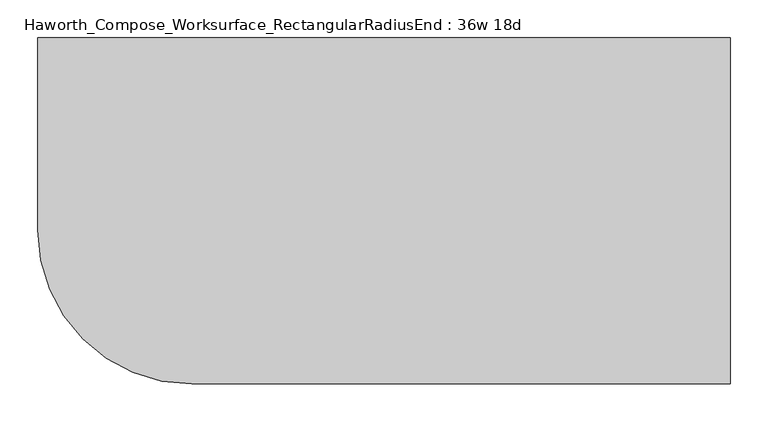
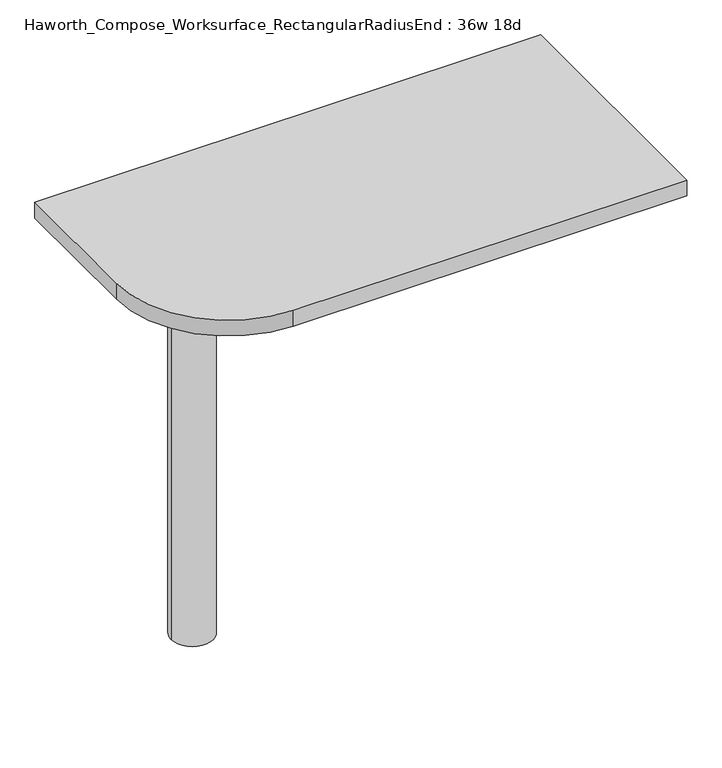
"""IFC4 building model written with IfcOpenShell, lengths in millimetres: furniture geometry, Haworth_Compose_Worksurface_RectangularRadiusEnd : 36w 18d."""

from ifc_helpers import new_model, si_unit, point, frame, frame_2d, origin, place, context, project, spatial, polyline, circle_curve, trimmed, segment, composite_curve, outline, extrude, source, transform, mapped, element, save
from ifc_brep_helpers import plane_surface, cylinder_surface, revolved_surface, advanced_brep


def haworth_compose_worksurface_rectangularradiusend_36w_18d_79e17497(model_context):
    return source(origin(), model_context, "Body", "SolidModel", [
        advanced_brep(
        [(451.64375, 228.6, 475.45625), (451.64375, 212.725, 475.45625), (451.64375, -177.8, 691.7192568), (451.64375, -177.8, 704.05625), (451.64375, 212.725, 704.05625), (451.64375, 228.6, 704.05625), (451.64375, 145.290072, 665.95625), (451.64375, 101.6355284, 665.95625), (451.64375, 98.9564235, 656.3705539), (451.64375, 190.6776173, 605.5776439), (451.64375, 200.025, 611.1756969), (451.64375, 200.025, 634.6860246), (451.64375, 198.2730055, 637.5242776), (451.64375, 148.3663437, 665.1613425), (454.025, 228.6, 475.45625), (454.025, 228.6, 704.05625), (454.025, 212.725, 704.05625), (454.025, 212.725, 706.4375), (454.025, -177.8, 706.4375), (454.025, -177.8, 691.7192568), (454.025, 212.725, 475.45625), (454.025, 145.290072, 665.95625), (454.025, 148.3663437, 665.1613425), (454.025, 198.2730055, 637.5242776), (454.025, 200.025, 634.6860246), (454.025, 200.025, 611.1756969), (454.025, 190.6776173, 605.5776439), (454.025, 98.9564235, 656.3705539), (454.025, 101.6355284, 665.95625), (412.75, -177.8, 706.4375), (412.75, -177.8, 704.05625), (412.75, 212.725, 704.05625), (412.75, 212.725, 706.4375)],
        [
            (0, 1),
            (1, 2),
            (2, 3),
            (3, 4),
            (4, 5),
            (5, 0),
            (6, 7),
            (7, 8, circle_curve(frame((451.64375, 101.6355284, 660.7890106), z_axis=(1.0, 0.0, 0.0), x_axis=(0.0, -1.0, 0.0)), 5.1672394)),
            (8, 9),
            (9, 10, circle_curve(frame((451.64375, 193.675, 611.1756969), z_axis=(1.0, 0.0, 0.0), x_axis=(0.0, -1.0, 0.0)), 6.35)),
            (10, 11),
            (11, 12, circle_curve(frame((451.64375, 196.85, 634.6860246), z_axis=(1.0, 0.0, 0.0), x_axis=(0.0, -1.0, 0.0)), 3.175)),
            (12, 13),
            (13, 6, circle_curve(frame((451.64375, 145.290072, 659.60625), z_axis=(1.0, 0.0, 0.0), x_axis=(0.0, -1.0, 0.0)), 6.35)),
            (14, 15),
            (15, 16),
            (16, 17),
            (17, 18),
            (18, 19),
            (19, 20),
            (20, 14),
            (21, 22, circle_curve(frame((454.025, 145.290072, 659.60625), z_axis=(-1.0, 0.0, 0.0), x_axis=(0.0, -1.0, 0.0)), 6.35)),
            (22, 23),
            (23, 24, circle_curve(frame((454.025, 196.85, 634.6860246), z_axis=(-1.0, 0.0, 0.0), x_axis=(0.0, -1.0, 0.0)), 3.175)),
            (24, 25),
            (25, 26, circle_curve(frame((454.025, 193.675, 611.1756969), z_axis=(-1.0, 0.0, 0.0), x_axis=(0.0, -1.0, 0.0)), 6.35)),
            (26, 27),
            (27, 28, circle_curve(frame((454.025, 101.6355284, 660.7890106), z_axis=(-1.0, 0.0, 0.0), x_axis=(0.0, -1.0, 0.0)), 5.1672394)),
            (28, 21),
            (4, 16),
            (15, 5),
            (14, 0),
            (20, 1),
            (19, 2),
            (18, 29),
            (29, 30),
            (30, 3),
            (6, 21),
            (28, 7),
            (9, 26),
            (25, 10),
            (24, 11),
            (23, 12),
            (27, 8),
            (31, 4),
            (30, 31),
            (32, 29),
            (17, 32),
            (31, 32),
            (22, 13),
        ],
        [
            plane_surface(frame((451.64375, 228.6, 475.45625), z_axis=(-1.0, 0.0, 0.0), x_axis=(0.0, 1.0, 0.0))),
            plane_surface(frame((454.025, 228.6, 475.45625), z_axis=(1.0, 0.0, 0.0), x_axis=(0.0, -1.0, 0.0))),
            plane_surface(frame((454.025, -177.8, 704.05625), z_axis=(0.0, 0.0, 1.0), x_axis=(-1.0, 0.0, 0.0))),
            plane_surface(frame((454.025, 228.6, 704.05625), z_axis=(0.0, 1.0, 0.0), x_axis=(-1.0, 0.0, 0.0))),
            plane_surface(frame((454.025, 228.6, 475.45625), z_axis=(0.0, 0.0, -1.0), x_axis=(-1.0, 0.0, 0.0))),
            plane_surface(frame((454.025, 212.725, 475.45625), z_axis=(0.0, -0.48445223513455843, -0.8748177135112952), x_axis=(-1.0, 0.0, 0.0))),
            plane_surface(frame((454.025, -177.8, 691.7192568), z_axis=(0.0, -1.0, 0.0), x_axis=(-1.0, 0.0, 0.0))),
            plane_surface(frame((454.025, 145.290072, 665.95625), z_axis=(0.0, 0.0, -1.0), x_axis=(-1.0, 0.0, 0.0))),
            revolved_surface(polyline([(451.64375, 187.32500000000002, 611.1756969), (454.025, 187.32500000000002, 611.1756969)]), (454.025, 193.675, 611.1756969), (-1.0, 0.0, 0.0)),
            plane_surface(frame((454.025, 200.025, 611.1756969), z_axis=(0.0, -1.0, 0.0), x_axis=(-1.0, 0.0, 0.0))),
            revolved_surface(polyline([(451.64375, 193.67499999999998, 634.6860246), (454.025, 193.67499999999998, 634.6860246)]), (454.025, 196.85, 634.6860246), (-1.0, 0.0, 0.0)),
            revolved_surface(polyline([(451.64375, 96.468289, 660.7890106), (454.025, 96.468289, 660.7890106)]), (454.025, 101.6355284, 660.7890106), (-1.0, 0.0, 0.0)),
            plane_surface(frame((454.025, 212.725, 704.05625), z_axis=(0.0, 0.0, -1.0), x_axis=(-1.0, 0.0, 0.0))),
            plane_surface(frame((454.025, 212.725, 706.4375), z_axis=(0.0, 0.0, 1.0), x_axis=(1.0, 0.0, 0.0))),
            plane_surface(frame((412.75, 212.725, 706.4375), z_axis=(0.0, 1.0, 0.0), x_axis=(0.0, 0.0, -1.0))),
            plane_surface(frame((412.75, -177.8, 706.4375), z_axis=(-1.0, 0.0, 0.0), x_axis=(0.0, 0.0, -1.0))),
            plane_surface(frame((454.025, 98.9564235, 656.3705539), z_axis=(0.0, 0.4844522351345583, 0.8748177135112953), x_axis=(-1.0, 0.0, 0.0))),
            plane_surface(frame((454.025, 198.2730055, 637.5242776), z_axis=(0.0, -0.4844522351345582, -0.8748177135112953), x_axis=(-1.0, 0.0, 0.0))),
            revolved_surface(polyline([(451.64375, 138.94007200000001, 659.60625), (454.025, 138.94007200000001, 659.60625)]), (454.025, 145.290072, 659.60625), (-1.0, 0.0, 0.0)),
        ],
        [
            (0, [[1, 2, 3, 4, 5, 6], [7, 8, 9, 10, 11, 12, 13, 14]]),
            (1, [[15, 16, 17, 18, 19, 20, 21], [22, 23, 24, 25, 26, 27, 28, 29]]),
            (2, [[-5, 30, -16, 31]]),
            (3, [[-31, -15, 32, -6]]),
            (4, [[-32, -21, 33, -1]]),
            (5, [[-33, -20, 34, -2]]),
            (6, [[-34, -19, 35, 36, 37, -3]]),
            (7, [[38, -29, 39, -7]]),
            (8, [[40, -26, 41, -10]]),
            (9, [[-41, -25, 42, -11]]),
            (10, [[-42, -24, 43, -12]]),
            (11, [[-39, -28, 44, -8]]),
            (12, [[45, -4, -37, 46]]),
            (13, [[47, -35, -18, 48]]),
            (14, [[-17, -30, -45, 49, -48]]),
            (15, [[-36, -47, -49, -46]]),
            (16, [[-44, -27, -40, -9]]),
            (17, [[-43, -23, 50, -13]]),
            (18, [[-50, -22, -38, -14]]),
        ],
    ),
        advanced_brep(
        [(-266.7, 0.0, 706.4375), (-342.9, 0.0, 706.4375), (-304.8, 0.0, 706.4375), (-266.7, 0.0, 0.0), (-342.9, 0.0, 0.0), (-304.8, 0.0, 0.0)],
        [
            (0, 1, circle_curve(frame((-304.8, 0.0, 706.4375), z_axis=(0.0, 0.0, 1.0), x_axis=(-1.0, 0.0, 0.0)), 38.1)),
            (1, 2),
            (2, 0),
            (1, 0, circle_curve(frame((-304.8, 0.0, 706.4375), z_axis=(0.0, 0.0, 1.0), x_axis=(-1.0, 0.0, 0.0)), 38.1)),
            (3, 4, circle_curve(frame((-304.8, 0.0, 0.0), z_axis=(0.0, 0.0, 1.0), x_axis=(-1.0, 0.0, 0.0)), 38.1)),
            (4, 1),
            (0, 3),
            (4, 3, circle_curve(frame((-304.8, 0.0, 0.0), z_axis=(0.0, 0.0, 1.0), x_axis=(-1.0, 0.0, 0.0)), 38.1)),
            (5, 4),
            (3, 5),
        ],
        [
            plane_surface(frame((-304.8, 0.0, 706.4375), z_axis=(0.0, 0.0, 1.0), x_axis=(-1.0, 0.0, 0.0))),
            cylinder_surface(frame((-304.8, 0.0, 889.623257), z_axis=(0.0, 0.0, -1.0), x_axis=(-1.0, 0.0, 0.0)), 38.1),
            plane_surface(frame((-304.8, 0.0, 0.0), z_axis=(0.0, 0.0, -1.0), x_axis=(-1.0, 0.0, 0.0))),
        ],
        [
            (0, [[1, 2, 3]]),
            (0, [[4, -3, -2]]),
            (1, [[5, 6, -1, 7]]),
            (1, [[8, -7, -4, -6]]),
            (2, [[9, -5, 10]]),
            (2, [[-10, -8, -9]]),
        ],
    ),
        extrude(outline(composite_curve([segment(polyline([(457.2, 228.6), (457.2, -228.6), (-254.0, -228.6)]), True, "CONTINUOUS"), segment(trimmed(circle_curve(frame_2d((-254.0, -25.4)), 203.2), [point((-254.0, -228.6))], [point((-457.2, -25.4))], False, "CARTESIAN"), True, "CONTINUOUS"), segment(polyline([(-457.2, -25.4), (-457.2, 228.6), (457.2, 228.6)]), True, "CONTINUOUS")], self_intersect=False)), frame((0.0, 0.0, 706.4375), z_axis=(0.0, 0.0, 1.0), x_axis=(1.0, 0.0, 0.0)), (0.0, 0.0, 1.0), 30.1625),
    ])


if __name__ == "__main__":
    model = new_model("IFC4")
    model_context = context("Model", 3, world=origin())
    ifc_project = project(units=[si_unit("LENGTHUNIT", "METRE", prefix="MILLI")], contexts=[model_context])
    site = spatial("IfcSite", under=ifc_project)
    building = spatial("IfcBuilding", under=site)
    placement = place(None, origin())
    haworth_compose_worksurface_rectangularradiusend_36w_18d_shape = haworth_compose_worksurface_rectangularradiusend_36w_18d_79e17497(model_context)
    element("IfcFurniture", 1, ObjectType="Haworth_Compose_Worksurface_RectangularRadiusEnd : 36w 18d", at=placement, inside=building, context=model_context, shape_type="MappedRepresentation", body=[
        mapped(haworth_compose_worksurface_rectangularradiusend_36w_18d_shape, transform((0.0, 0.0, 0.0), x_axis=(1.0, 0.0, 0.0), y_axis=(0.0, 1.0, 0.0), z_axis=(0.0, 0.0, 1.0))),
    ])
    save(model, "model.ifc")
